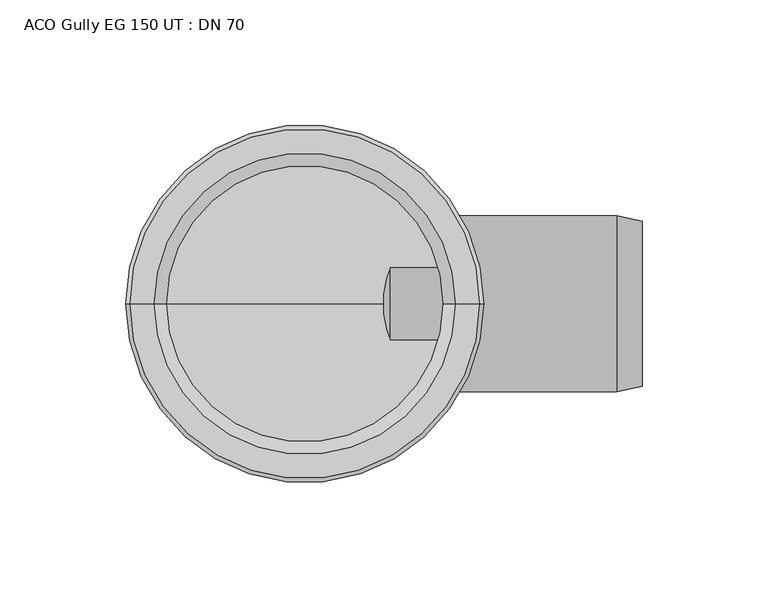
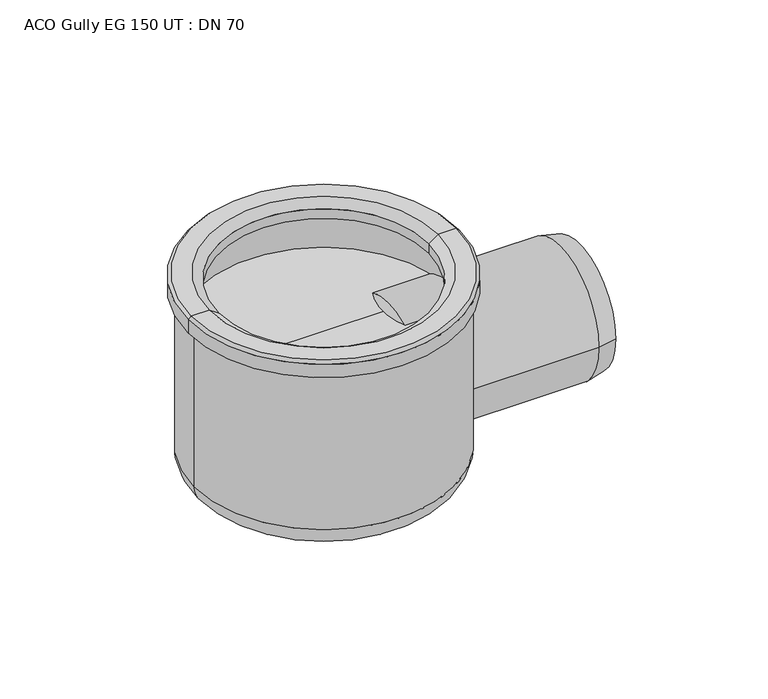
"""IFC4 building model written with IfcOpenShell, lengths in millimetres: flow terminal geometry, ACO Gully EG 150 UT : DN 70."""

from ifc_helpers import new_model, si_unit, point, frame, origin, place, context, project, spatial, polyline, circle_curve, ellipse_curve, trimmed, source, transform, mapped, element, save
from ifc_brep_helpers import plane_surface, cylinder_surface, revolved_surface, advanced_brep


def aco_gully_eg_150_ut_dn_70_693c011a(model_context):
    return source(origin(), model_context, "Body", "AdvancedBrep", [
        advanced_brep(
        [(-68.0, 0.0, -195.3489424), (68.0, 0.0, -195.3489424), (55.8489424, 0.0, -207.5), (-55.8489424, 0.0, -207.5), (-68.0, 0.0, -108.7851751), (68.0, 0.0, -108.7851751), (0.0, 0.0, -207.5), (-66.5, 0.0, -132.7134268), (66.5, 0.0, -132.7134268), (66.5, 0.0, -108.7851751), (-66.5, 0.0, -108.7851751), (0.0, 0.0, -132.7134268), (-71.0767781, 0.0, -108.7851751), (71.0767781, 0.0, -108.7851751), (-71.0767781, 0.0, -101.5), (71.0767781, 0.0, -101.5), (-69.5767781, 0.0, -100.0), (69.5767781, 0.0, -100.0), (-60.0, 0.0, -100.0), (60.0, 0.0, -100.0), (-55.0, 0.0, -103.4364048), (55.0, 0.0, -103.4364048), (-55.0, 0.0, -108.7851751), (55.0, 0.0, -108.7851751)],
        [
            (0, 1, circle_curve(frame((0.0, 0.0, -195.3489424), z_axis=(0.0, 0.0, -1.0), x_axis=(1.0, 0.0, 0.0)), 68.0)),
            (1, 2, circle_curve(frame((55.8489424, 0.0, -195.3489424), z_axis=(0.0, 1.0, 0.0), x_axis=(1.0, 0.0, 0.0)), 12.1510576)),
            (2, 3, circle_curve(frame((0.0, 0.0, -207.5), z_axis=(0.0, 0.0, 1.0), x_axis=(1.0, 0.0, 0.0)), 55.8489424)),
            (3, 0, circle_curve(frame((-55.8489424, 0.0, -195.3489424), z_axis=(0.0, 1.0, 0.0), x_axis=(-1.0, 0.0, 0.0)), 12.1510576)),
            (1, 0, circle_curve(frame((0.0, 0.0, -195.3489424), z_axis=(0.0, 0.0, -1.0), x_axis=(1.0, 0.0, 0.0)), 68.0)),
            (3, 2, circle_curve(frame((0.0, 0.0, -207.5), z_axis=(0.0, 0.0, 1.0), x_axis=(1.0, 0.0, 0.0)), 55.8489424)),
            (4, 5, circle_curve(frame((0.0, 0.0, -108.7851751), z_axis=(0.0, 0.0, -1.0), x_axis=(1.0, 0.0, 0.0)), 68.0)),
            (5, 1),
            (0, 4),
            (5, 4, circle_curve(frame((0.0, 0.0, -108.7851751), z_axis=(0.0, 0.0, -1.0), x_axis=(1.0, 0.0, 0.0)), 68.0)),
            (2, 6),
            (6, 3),
            (7, 8, circle_curve(frame((0.0, 0.0, -132.7134268), z_axis=(0.0, 0.0, -1.0), x_axis=(1.0, 0.0, 0.0)), 66.5)),
            (8, 9),
            (9, 10, circle_curve(frame((0.0, 0.0, -108.7851751), z_axis=(0.0, 0.0, 1.0), x_axis=(1.0, 0.0, 0.0)), 66.5)),
            (10, 7),
            (8, 7, circle_curve(frame((0.0, 0.0, -132.7134268), z_axis=(0.0, 0.0, -1.0), x_axis=(1.0, 0.0, 0.0)), 66.5)),
            (10, 9, circle_curve(frame((0.0, 0.0, -108.7851751), z_axis=(0.0, 0.0, 1.0), x_axis=(1.0, 0.0, 0.0)), 66.5)),
            (11, 8),
            (7, 11),
            (12, 13, circle_curve(frame((0.0, 0.0, -108.7851751), z_axis=(0.0, 0.0, -1.0), x_axis=(1.0, 0.0, 0.0)), 71.0767781)),
            (13, 5),
            (4, 12),
            (13, 12, circle_curve(frame((0.0, 0.0, -108.7851751), z_axis=(0.0, 0.0, -1.0), x_axis=(1.0, 0.0, 0.0)), 71.0767781)),
            (14, 15, circle_curve(frame((0.0, 0.0, -101.5), z_axis=(0.0, 0.0, -1.0), x_axis=(1.0, 0.0, 0.0)), 71.0767781)),
            (15, 13),
            (12, 14),
            (15, 14, circle_curve(frame((0.0, 0.0, -101.5), z_axis=(0.0, 0.0, -1.0), x_axis=(1.0, 0.0, 0.0)), 71.0767781)),
            (16, 17, circle_curve(frame((0.0, 0.0, -100.0), z_axis=(0.0, 0.0, -1.0), x_axis=(1.0, 0.0, 0.0)), 69.5767781)),
            (17, 15),
            (14, 16),
            (17, 16, circle_curve(frame((0.0, 0.0, -100.0), z_axis=(0.0, 0.0, -1.0), x_axis=(1.0, 0.0, 0.0)), 69.5767781)),
            (18, 19, circle_curve(frame((0.0, 0.0, -100.0), z_axis=(0.0, 0.0, -1.0), x_axis=(1.0, 0.0, 0.0)), 60.0)),
            (19, 17),
            (16, 18),
            (19, 18, circle_curve(frame((0.0, 0.0, -100.0), z_axis=(0.0, 0.0, -1.0), x_axis=(1.0, 0.0, 0.0)), 60.0)),
            (20, 21, circle_curve(frame((0.0, 0.0, -103.4364048), z_axis=(0.0, 0.0, -1.0), x_axis=(1.0, 0.0, 0.0)), 55.0)),
            (21, 19),
            (18, 20),
            (21, 20, circle_curve(frame((0.0, 0.0, -103.4364048), z_axis=(0.0, 0.0, -1.0), x_axis=(1.0, 0.0, 0.0)), 55.0)),
            (22, 23, circle_curve(frame((0.0, 0.0, -108.7851751), z_axis=(0.0, 0.0, -1.0), x_axis=(1.0, 0.0, 0.0)), 55.0)),
            (23, 21),
            (20, 22),
            (23, 22, circle_curve(frame((0.0, 0.0, -108.7851751), z_axis=(0.0, 0.0, -1.0), x_axis=(1.0, 0.0, 0.0)), 55.0)),
            (9, 23),
            (22, 10),
        ],
        [
            revolved_surface(trimmed(ellipse_curve(frame((55.8489424, 0.0, -195.3489424), z_axis=(0.0, -1.0, 0.0), x_axis=(1.0, 0.0, 0.0)), 12.1510576, 12.1510576), [point((55.8489424, 0.0, -207.5))], [point((68.0, 0.0, -195.3489424))], True, "CARTESIAN"), (0.0, 0.0, -101.7134268), (0.0, 0.0, 1.0)),
            cylinder_surface(frame((0.0, 0.0, -101.7134268), z_axis=(0.0, 0.0, 1.0), x_axis=(1.0, 0.0, 0.0)), 68.0),
            plane_surface(frame((0.0, 0.0, -207.5), z_axis=(0.0, 0.0, -1.0), x_axis=(1.0, 0.0, 0.0))),
            revolved_surface(polyline([(66.5, 0.0, -108.7851751), (66.5, 0.0, -132.7134268)]), (0.0, 0.0, -101.7134268), (0.0, 0.0, 1.0)),
            plane_surface(frame((0.0, 0.0, -132.7134268), z_axis=(0.0, 0.0, 1.0), x_axis=(1.0, 0.0, 0.0))),
            plane_surface(frame((0.0, 0.0, -108.7851751), z_axis=(0.0, 0.0, -1.0), x_axis=(1.0, 0.0, 0.0))),
            cylinder_surface(frame((0.0, 0.0, -101.7134268), z_axis=(0.0, 0.0, 1.0), x_axis=(1.0, 0.0, 0.0)), 71.0767781),
            revolved_surface(polyline([(71.0767781, 0.0, -101.5), (69.5767781, 0.0, -100.0)]), (0.0, 0.0, -101.7134268), (0.0, 0.0, 1.0)),
            plane_surface(frame((0.0, 0.0, -100.0), z_axis=(0.0, 0.0, 1.0), x_axis=(1.0, 0.0, 0.0))),
            revolved_surface(polyline([(60.0, 0.0, -100.0), (55.0, 0.0, -103.4364048)]), (0.0, 0.0, -101.7134268), (0.0, 0.0, 1.0)),
            revolved_surface(polyline([(55.0, 0.0, -103.4364048), (55.0, 0.0, -108.7851751)]), (0.0, 0.0, -101.7134268), (0.0, 0.0, 1.0)),
        ],
        [
            (0, [[1, 2, 3, 4]]),
            (0, [[5, -4, 6, -2]]),
            (1, [[7, 8, -1, 9]]),
            (1, [[10, -9, -5, -8]]),
            (2, [[-3, 11, 12]]),
            (2, [[-6, -12, -11]]),
            (3, [[13, 14, 15, 16]]),
            (3, [[17, -16, 18, -14]]),
            (4, [[19, -13, 20]]),
            (4, [[-20, -17, -19]]),
            (5, [[21, 22, -7, 23]]),
            (5, [[24, -23, -10, -22]]),
            (6, [[25, 26, -21, 27]]),
            (6, [[28, -27, -24, -26]]),
            (7, [[29, 30, -25, 31]]),
            (7, [[32, -31, -28, -30]]),
            (8, [[33, 34, -29, 35]]),
            (8, [[36, -35, -32, -34]]),
            (9, [[37, 38, -33, 39]]),
            (9, [[40, -39, -36, -38]]),
            (10, [[41, 42, -37, 43]]),
            (10, [[44, -43, -40, -42]]),
            (5, [[-15, 45, -41, 46]]),
            (5, [[-18, -46, -44, -45]]),
        ],
    ),
        advanced_brep(
        [(134.0374565, -32.8503347, -164.0), (134.0374565, 32.8503347, -164.0), (134.0374565, 31.7901902, -164.0), (134.0374565, -31.7901902, -164.0), (34.0374565, -35.0, -164.0), (34.0374565, 35.0, -164.0), (123.9814513, 35.0, -164.0), (123.9814513, -35.0, -164.0), (0.0374565, 0.0, -164.0), (0.0374565, 25.0, -164.0), (0.0374565, -25.0, -164.0), (19.0199679, -19.0, -164.0), (19.0199679, 19.0, -164.0), (75.0374565, -31.7901902, -164.0), (75.0374565, 31.7901902, -164.0), (75.0374565, 0.0, -164.0)],
        [
            (0, 1, circle_curve(frame((134.0374565, 0.0, -164.0), z_axis=(1.0, 0.0, 0.0), x_axis=(0.0, 1.0, 0.0)), 32.8503347)),
            (1, 2),
            (2, 3, circle_curve(frame((134.0374565, 0.0, -164.0), z_axis=(-1.0, 0.0, 0.0), x_axis=(0.0, 1.0, 0.0)), 31.7901902)),
            (3, 0),
            (1, 0, circle_curve(frame((134.0374565, 0.0, -164.0), z_axis=(1.0, 0.0, 0.0), x_axis=(0.0, 1.0, 0.0)), 32.8503347)),
            (3, 2, circle_curve(frame((134.0374565, 0.0, -164.0), z_axis=(-1.0, 0.0, 0.0), x_axis=(0.0, 1.0, 0.0)), 31.7901902)),
            (4, 5, circle_curve(frame((34.0374565, 0.0, -164.0), z_axis=(1.0, 0.0, 0.0), x_axis=(0.0, 1.0, 0.0)), 35.0)),
            (5, 6),
            (6, 7, circle_curve(frame((123.9814513, 0.0, -164.0), z_axis=(-1.0, 0.0, 0.0), x_axis=(0.0, 1.0, 0.0)), 35.0)),
            (7, 4),
            (5, 4, circle_curve(frame((34.0374565, 0.0, -164.0), z_axis=(1.0, 0.0, 0.0), x_axis=(0.0, 1.0, 0.0)), 35.0)),
            (7, 6, circle_curve(frame((123.9814513, 0.0, -164.0), z_axis=(-1.0, 0.0, 0.0), x_axis=(0.0, 1.0, 0.0)), 35.0)),
            (8, 9),
            (9, 10, circle_curve(frame((0.0374565, 0.0, -164.0), z_axis=(-1.0, 0.0, 0.0), x_axis=(0.0, 1.0, 0.0)), 25.0)),
            (10, 8),
            (10, 9, circle_curve(frame((0.0374565, 0.0, -164.0), z_axis=(-1.0, 0.0, 0.0), x_axis=(0.0, 1.0, 0.0)), 25.0)),
            (11, 12, circle_curve(frame((19.0199679, 0.0, -164.0), z_axis=(1.0, 0.0, 0.0), x_axis=(0.0, 1.0, 0.0)), 19.0)),
            (12, 5),
            (4, 11),
            (12, 11, circle_curve(frame((19.0199679, 0.0, -164.0), z_axis=(1.0, 0.0, 0.0), x_axis=(0.0, 1.0, 0.0)), 19.0)),
            (6, 1),
            (0, 7),
            (13, 14, circle_curve(frame((75.0374565, 0.0, -164.0), z_axis=(1.0, 0.0, 0.0), x_axis=(0.0, 1.0, 0.0)), 31.7901902)),
            (14, 15),
            (15, 13),
            (14, 13, circle_curve(frame((75.0374565, 0.0, -164.0), z_axis=(1.0, 0.0, 0.0), x_axis=(0.0, 1.0, 0.0)), 31.7901902)),
            (2, 14),
            (13, 3),
            (9, 12),
            (11, 10),
        ],
        [
            plane_surface(frame((134.0374565, 0.0, -164.0), z_axis=(1.0, 0.0, 0.0), x_axis=(0.0, 1.0, 0.0))),
            cylinder_surface(frame((0.0, 0.0, -164.0), z_axis=(-1.0, 0.0, 0.0), x_axis=(0.0, 1.0, 0.0)), 35.0),
            plane_surface(frame((0.0374565, 0.0, -164.0), z_axis=(-1.0, 0.0, 0.0), x_axis=(0.0, 1.0, 0.0))),
            revolved_surface(polyline([(34.0374565, 35.0, -164.0), (19.0199679, 19.0, -164.0)]), (0.0, 0.0, -164.0), (-1.0, 0.0, 0.0)),
            revolved_surface(polyline([(134.0374565, 32.8503347, -164.0), (123.9814513, 35.0, -164.0)]), (0.0, 0.0, -164.0), (-1.0, 0.0, 0.0)),
            plane_surface(frame((75.0374565, 0.0, -164.0), z_axis=(1.0, 0.0, 0.0), x_axis=(0.0, 1.0, 0.0))),
            revolved_surface(polyline([(75.0374565, 31.7901902, -164.0), (134.0374565, 31.7901902, -164.0)]), (0.0, 0.0, -164.0), (-1.0, 0.0, 0.0)),
            revolved_surface(polyline([(19.0199679, 19.0, -164.0), (0.0374565, 25.0, -164.0)]), (0.0, 0.0, -164.0), (-1.0, 0.0, 0.0)),
        ],
        [
            (0, [[1, 2, 3, 4]]),
            (0, [[5, -4, 6, -2]]),
            (1, [[7, 8, 9, 10]]),
            (1, [[11, -10, 12, -8]]),
            (2, [[13, 14, 15]]),
            (2, [[-15, 16, -13]]),
            (3, [[17, 18, -7, 19]]),
            (3, [[20, -19, -11, -18]]),
            (4, [[-9, 21, -1, 22]]),
            (4, [[-12, -22, -5, -21]]),
            (5, [[23, 24, 25]]),
            (5, [[26, -25, -24]]),
            (6, [[-3, 27, -23, 28]]),
            (6, [[-6, -28, -26, -27]]),
            (7, [[-14, 29, -17, 30]]),
            (7, [[-16, -30, -20, -29]]),
        ],
    ),
    ])


if __name__ == "__main__":
    model = new_model("IFC4")
    model_context = context("Model", 3, world=origin())
    ifc_project = project(units=[si_unit("LENGTHUNIT", "METRE", prefix="MILLI")], contexts=[model_context])
    site = spatial("IfcSite", under=ifc_project)
    building = spatial("IfcBuilding", under=site)
    placement = place(None, origin())
    aco_gully_eg_150_ut_dn_70_shape = aco_gully_eg_150_ut_dn_70_693c011a(model_context)
    element("IfcFlowTerminal", 1, ObjectType="ACO Gully EG 150 UT : DN 70", at=placement, inside=building, context=model_context, shape_type="MappedRepresentation", body=[
        mapped(aco_gully_eg_150_ut_dn_70_shape, transform((0.0, 0.0, 0.0), x_axis=(1.0, 0.0, 0.0), y_axis=(0.0, 1.0, 0.0), z_axis=(0.0, 0.0, 1.0))),
    ])
    save(model, "model.ifc")
